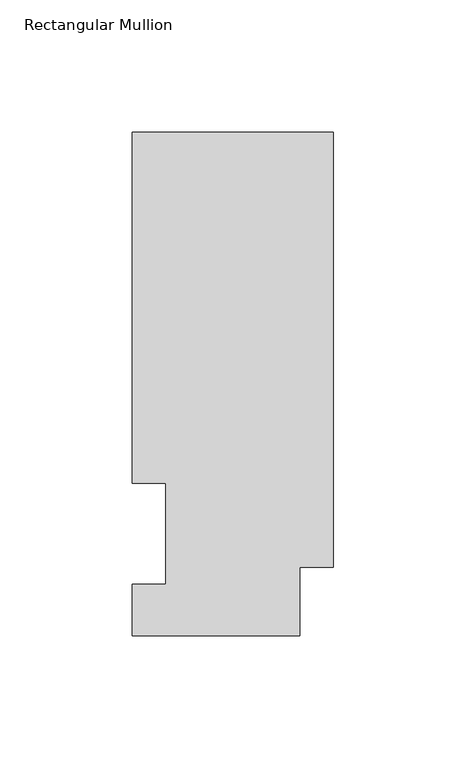
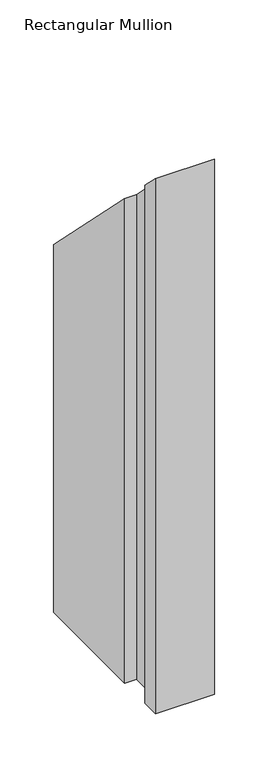
"""IFC4 building model written with IfcOpenShell, lengths in millimetres: member geometry, Rectangular Mullion."""

from ifc_helpers import new_model, si_unit, origin, place, context, project, spatial, faceted_brep, source, transform, mapped, element, save


def rectangular_mullion_474ee9a2(model_context):
    return source(origin(), model_context, "Body", "Brep", [
        faceted_brep([(0.0, 190.5896937, -609.6), (0.0, 25.8960937, -609.6), (-12.7, 25.8960937, -609.6), (-12.7, 0.0134937, -609.6), (-76.2, 0.0134937, -609.6), (-76.2, 19.5460937, -609.6), (-63.5127, 19.5460937, -609.6), (-63.5127, 57.6460937, -609.6), (-76.2, 57.6460937, -609.6), (-76.2, 190.5896937, -609.6), (-76.2, 190.5896937, -190.5896937), (0.0, 190.5896937, -190.5896937), (-76.2, 57.6460937, -57.6460938), (-63.5127, 57.6460937, -57.6460938), (-63.5127, 19.5460937, -19.5460937), (-76.2, 19.5460937, -19.5460937), (-76.2, 0.0134937, -0.0134937), (-12.7, 0.0134937, -0.0134937), (-12.7, 25.8960937, -25.8960937), (0.0, 25.8960937, -25.8960937)], [[[0, 1, 2, 3, 4, 5, 6, 7, 8, 9]], [[10, 11, 0, 9]], [[12, 10, 9, 8]], [[13, 12, 8, 7]], [[14, 13, 7, 6]], [[15, 14, 6, 5]], [[16, 15, 5, 4]], [[17, 16, 4, 3]], [[18, 17, 3, 2]], [[19, 18, 2, 1]], [[11, 19, 1, 0]], [[11, 10, 12, 13, 14, 15, 16, 17, 18, 19]]]),
    ])


if __name__ == "__main__":
    model = new_model("IFC4")
    model_context = context("Model", 3, world=origin())
    ifc_project = project(units=[si_unit("LENGTHUNIT", "METRE", prefix="MILLI")], contexts=[model_context])
    site = spatial("IfcSite", under=ifc_project)
    building = spatial("IfcBuilding", under=site)
    placement = place(None, origin())
    rectangular_mullion_shape = rectangular_mullion_474ee9a2(model_context)
    element("IfcMember", 1, ObjectType="Rectangular Mullion", at=placement, inside=building, context=model_context, shape_type="MappedRepresentation", body=[
        mapped(rectangular_mullion_shape, transform((0.0, 0.0, 0.0), x_axis=(1.0, 0.0, 0.0), y_axis=(0.0, 1.0, 0.0), z_axis=(0.0, 0.0, 1.0))),
    ])
    save(model, "model.ifc")
